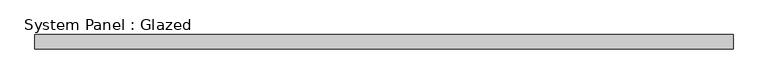
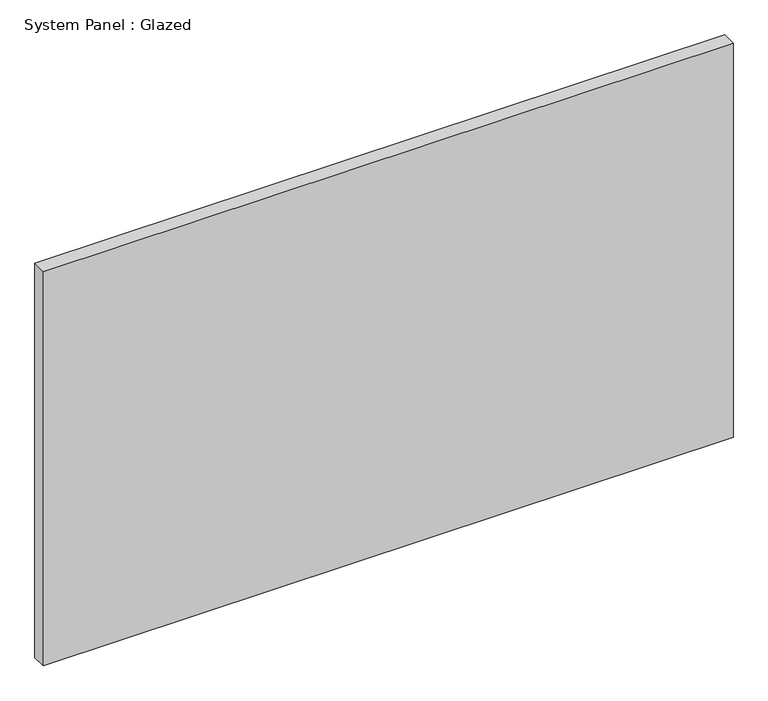
"""IFC4 building model written with IfcOpenShell, lengths in millimetres: plate geometry, System Panel : Glazed."""

from ifc_helpers import new_model, si_unit, origin, origin_with_axes, place, context, project, spatial, polyline, outline, extrude, source, transform, mapped, element, save


def system_panel_glazed_0c723f1b(model_context):
    return source(origin(), model_context, "Body", "SweptSolid", [
        extrude(outline(polyline([(599.9999999, 24.5), (-599.9999999, 24.5), (-599.9999999, 49.5), (599.9999999, 49.5), (599.9999999, 24.5)])), origin_with_axes(), (0.0, 0.0, 1.0), 725.0),
    ])


if __name__ == "__main__":
    model = new_model("IFC4")
    model_context = context("Model", 3, world=origin())
    ifc_project = project(units=[si_unit("LENGTHUNIT", "METRE", prefix="MILLI")], contexts=[model_context])
    site = spatial("IfcSite", under=ifc_project)
    building = spatial("IfcBuilding", under=site)
    placement = place(None, origin())
    system_panel_glazed_shape = system_panel_glazed_0c723f1b(model_context)
    element("IfcPlate", 1, ObjectType="System Panel : Glazed", at=placement, inside=building, context=model_context, shape_type="MappedRepresentation", body=[
        mapped(system_panel_glazed_shape, transform((0.0, 0.0, 0.0), x_axis=(1.0, 0.0, 0.0), y_axis=(0.0, 1.0, 0.0), z_axis=(0.0, 0.0, 1.0))),
    ])
    save(model, "model.ifc")
